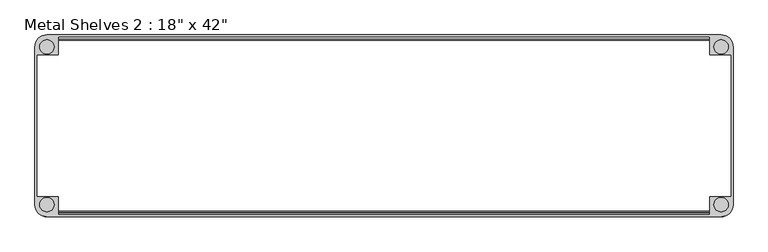
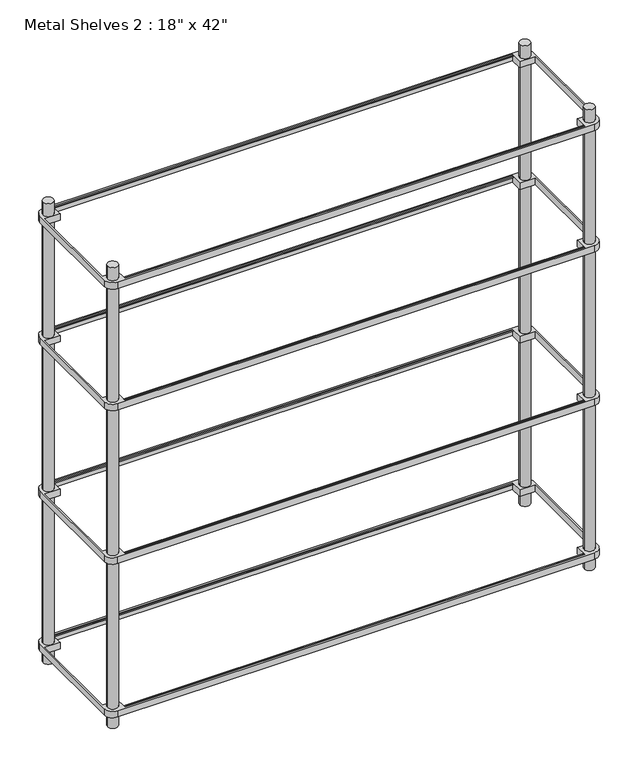
"""IFC4 building model written with IfcOpenShell, lengths in millimetres: furniture geometry."""

from ifc_helpers import new_model, si_unit, point, frame, frame_2d, origin, origin_with_axes, place, context, project, spatial, polyline, circle_curve, trimmed, segment, composite_curve, outline, extrude, source, transform, mapped, element, save


def furniture_be2dd533(model_context):
    return source(origin(), model_context, "Body", "SweptSolid", [
        extrude(outline(composite_curve([segment(trimmed(circle_curve(frame_2d((895.35, -209.55)), 31.75), [point((927.1, -209.55))], [point((895.35, -241.3))], False, "CARTESIAN"), True, "CONTINUOUS"), segment(polyline([(895.35, -241.3), (-895.35, -241.3)]), True, "CONTINUOUS"), segment(trimmed(circle_curve(frame_2d((-895.35, -209.55)), 31.75), [point((-895.35, -241.3))], [point((-927.1, -209.55))], False, "CARTESIAN"), True, "CONTINUOUS"), segment(polyline([(-927.1, -209.55), (-927.1, 209.55)]), True, "CONTINUOUS"), segment(trimmed(circle_curve(frame_2d((-895.35, 209.55)), 31.75), [point((-927.1, 209.55))], [point((-895.35, 241.3))], False, "CARTESIAN"), True, "CONTINUOUS"), segment(polyline([(-895.35, 241.3), (895.35, 241.3)]), True, "CONTINUOUS"), segment(trimmed(circle_curve(frame_2d((895.35, 209.55)), 31.75), [point((895.35, 241.3))], [point((927.1, 209.55))], False, "CARTESIAN"), True, "CONTINUOUS"), segment(polyline([(927.1, 209.55), (927.1, -209.55)]), True, "CONTINUOUS")], self_intersect=False), holes=[polyline([(-863.6, -234.95), (863.6, -234.95), (863.6, -187.325), (920.75, -187.325), (920.75, 187.325), (863.6, 187.325), (863.6, 234.95), (-863.6, 234.95), (-863.6, 187.325), (-920.75, 187.325), (-920.75, -187.325), (-863.6, -187.325), (-863.6, -234.95)]), composite_curve([segment(trimmed(circle_curve(frame_2d((895.35, -209.55)), 19.05), [point((876.3, -209.55))], [point((914.4, -209.55))], True, "CARTESIAN"), True, "CONTINUOUS"), segment(trimmed(circle_curve(frame_2d((895.35, -209.55)), 19.05), [point((914.4, -209.55))], [point((876.3, -209.55))], True, "CARTESIAN"), True, "CONTINUOUS")], self_intersect=False), composite_curve([segment(trimmed(circle_curve(frame_2d((895.35, 209.55)), 19.05), [point((876.3, 209.55))], [point((914.4, 209.55))], True, "CARTESIAN"), True, "CONTINUOUS"), segment(trimmed(circle_curve(frame_2d((895.35, 209.55)), 19.05), [point((914.4, 209.55))], [point((876.3, 209.55))], True, "CARTESIAN"), True, "CONTINUOUS")], self_intersect=False), composite_curve([segment(trimmed(circle_curve(frame_2d((-895.35, 209.55)), 19.05), [point((-876.3, 209.55))], [point((-914.4, 209.55))], True, "CARTESIAN"), True, "CONTINUOUS"), segment(trimmed(circle_curve(frame_2d((-895.35, 209.55)), 19.05), [point((-914.4, 209.55))], [point((-876.3, 209.55))], True, "CARTESIAN"), True, "CONTINUOUS")], self_intersect=False), composite_curve([segment(trimmed(circle_curve(frame_2d((-895.35, -209.55)), 19.05), [point((-876.3, -209.55))], [point((-914.4, -209.55))], True, "CARTESIAN"), True, "CONTINUOUS"), segment(trimmed(circle_curve(frame_2d((-895.35, -209.55)), 19.05), [point((-914.4, -209.55))], [point((-876.3, -209.55))], True, "CARTESIAN"), True, "CONTINUOUS")], self_intersect=False)]), frame((0.0, 0.0, 660.4), z_axis=(0.0, 0.0, 1.0), x_axis=(1.0, 0.0, 0.0)), (0.0, 0.0, 1.0), 25.4),
        extrude(outline(composite_curve([segment(trimmed(circle_curve(frame_2d((-895.35, -209.55)), 31.75), [point((-895.35, -241.3))], [point((-927.1, -209.55))], False, "CARTESIAN"), True, "CONTINUOUS"), segment(polyline([(-927.1, -209.55), (-927.1, 209.55)]), True, "CONTINUOUS"), segment(trimmed(circle_curve(frame_2d((-895.35, 209.55)), 31.75), [point((-927.1, 209.55))], [point((-895.35, 241.3))], False, "CARTESIAN"), True, "CONTINUOUS"), segment(polyline([(-895.35, 241.3), (895.35, 241.3)]), True, "CONTINUOUS"), segment(trimmed(circle_curve(frame_2d((895.35, 209.55)), 31.75), [point((895.35, 241.3))], [point((927.1, 209.55))], False, "CARTESIAN"), True, "CONTINUOUS"), segment(polyline([(927.1, 209.55), (927.1, -209.55)]), True, "CONTINUOUS"), segment(trimmed(circle_curve(frame_2d((895.35, -209.55)), 31.75), [point((927.1, -209.55))], [point((895.35, -241.3))], False, "CARTESIAN"), True, "CONTINUOUS"), segment(polyline([(895.35, -241.3), (-895.35, -241.3)]), True, "CONTINUOUS")], self_intersect=False), holes=[composite_curve([segment(trimmed(circle_curve(frame_2d((-895.35, -209.55)), 19.05), [point((-876.3, -209.55))], [point((-914.4, -209.55))], True, "CARTESIAN"), True, "CONTINUOUS"), segment(trimmed(circle_curve(frame_2d((-895.35, -209.55)), 19.05), [point((-914.4, -209.55))], [point((-876.3, -209.55))], True, "CARTESIAN"), True, "CONTINUOUS")], self_intersect=False), composite_curve([segment(trimmed(circle_curve(frame_2d((-895.35, 209.55)), 19.05), [point((-876.3, 209.55))], [point((-914.4, 209.55))], True, "CARTESIAN"), True, "CONTINUOUS"), segment(trimmed(circle_curve(frame_2d((-895.35, 209.55)), 19.05), [point((-914.4, 209.55))], [point((-876.3, 209.55))], True, "CARTESIAN"), True, "CONTINUOUS")], self_intersect=False), composite_curve([segment(trimmed(circle_curve(frame_2d((895.35, -209.55)), 19.05), [point((876.3, -209.55))], [point((914.4, -209.55))], True, "CARTESIAN"), True, "CONTINUOUS"), segment(trimmed(circle_curve(frame_2d((895.35, -209.55)), 19.05), [point((914.4, -209.55))], [point((876.3, -209.55))], True, "CARTESIAN"), True, "CONTINUOUS")], self_intersect=False), composite_curve([segment(trimmed(circle_curve(frame_2d((895.35, 209.55)), 19.05), [point((876.3, 209.55))], [point((914.4, 209.55))], True, "CARTESIAN"), True, "CONTINUOUS"), segment(trimmed(circle_curve(frame_2d((895.35, 209.55)), 19.05), [point((914.4, 209.55))], [point((876.3, 209.55))], True, "CARTESIAN"), True, "CONTINUOUS")], self_intersect=False), polyline([(-863.6, -234.95), (863.6, -234.95), (863.6, -187.325), (920.75, -187.325), (920.75, 187.325), (863.6, 187.325), (863.6, 234.95), (-863.6, 234.95), (-863.6, 187.325), (-920.75, 187.325), (-920.75, -187.325), (-863.6, -187.325), (-863.6, -234.95)])]), frame((0.0, 0.0, 50.8), z_axis=(0.0, 0.0, 1.0), x_axis=(1.0, 0.0, 0.0)), (0.0, 0.0, 1.0), 25.4),
        extrude(outline(composite_curve([segment(trimmed(circle_curve(frame_2d((-895.35, 209.55)), 31.75), [point((-927.1, 209.55))], [point((-895.35, 241.3))], False, "CARTESIAN"), True, "CONTINUOUS"), segment(polyline([(-895.35, 241.3), (895.35, 241.3)]), True, "CONTINUOUS"), segment(trimmed(circle_curve(frame_2d((895.35, 209.55)), 31.75), [point((895.35, 241.3))], [point((927.1, 209.55))], False, "CARTESIAN"), True, "CONTINUOUS"), segment(polyline([(927.1, 209.55), (927.1, -209.55)]), True, "CONTINUOUS"), segment(trimmed(circle_curve(frame_2d((895.35, -209.55)), 31.75), [point((927.1, -209.55))], [point((895.35, -241.3))], False, "CARTESIAN"), True, "CONTINUOUS"), segment(polyline([(895.35, -241.3), (-895.35, -241.3)]), True, "CONTINUOUS"), segment(trimmed(circle_curve(frame_2d((-895.35, -209.55)), 31.75), [point((-895.35, -241.3))], [point((-927.1, -209.55))], False, "CARTESIAN"), True, "CONTINUOUS"), segment(polyline([(-927.1, -209.55), (-927.1, 209.55)]), True, "CONTINUOUS")], self_intersect=False), holes=[composite_curve([segment(trimmed(circle_curve(frame_2d((-895.35, 209.55)), 19.05), [point((-876.3, 209.55))], [point((-914.4, 209.55))], True, "CARTESIAN"), True, "CONTINUOUS"), segment(trimmed(circle_curve(frame_2d((-895.35, 209.55)), 19.05), [point((-914.4, 209.55))], [point((-876.3, 209.55))], True, "CARTESIAN"), True, "CONTINUOUS")], self_intersect=False), composite_curve([segment(trimmed(circle_curve(frame_2d((-895.35, -209.55)), 19.05), [point((-876.3, -209.55))], [point((-914.4, -209.55))], True, "CARTESIAN"), True, "CONTINUOUS"), segment(trimmed(circle_curve(frame_2d((-895.35, -209.55)), 19.05), [point((-914.4, -209.55))], [point((-876.3, -209.55))], True, "CARTESIAN"), True, "CONTINUOUS")], self_intersect=False), composite_curve([segment(trimmed(circle_curve(frame_2d((895.35, -209.55)), 19.05), [point((876.3, -209.55))], [point((914.4, -209.55))], True, "CARTESIAN"), True, "CONTINUOUS"), segment(trimmed(circle_curve(frame_2d((895.35, -209.55)), 19.05), [point((914.4, -209.55))], [point((876.3, -209.55))], True, "CARTESIAN"), True, "CONTINUOUS")], self_intersect=False), polyline([(-863.6, -234.95), (863.6, -234.95), (863.6, -187.325), (920.75, -187.325), (920.75, 187.325), (863.6, 187.325), (863.6, 234.95), (-863.6, 234.95), (-863.6, 187.325), (-920.75, 187.325), (-920.75, -187.325), (-863.6, -187.325), (-863.6, -234.95)]), composite_curve([segment(trimmed(circle_curve(frame_2d((895.35, 209.55)), 19.05), [point((876.3, 209.55))], [point((914.4, 209.55))], True, "CARTESIAN"), True, "CONTINUOUS"), segment(trimmed(circle_curve(frame_2d((895.35, 209.55)), 19.05), [point((914.4, 209.55))], [point((876.3, 209.55))], True, "CARTESIAN"), True, "CONTINUOUS")], self_intersect=False)]), frame((0.0, 0.0, 1270.0), z_axis=(0.0, 0.0, 1.0), x_axis=(1.0, 0.0, 0.0)), (0.0, 0.0, 1.0), 25.4),
        extrude(outline(composite_curve([segment(trimmed(circle_curve(frame_2d((-895.35, -209.55)), 31.75), [point((-895.35, -241.3))], [point((-927.1, -209.55))], False, "CARTESIAN"), True, "CONTINUOUS"), segment(polyline([(-927.1, -209.55), (-927.1, 209.55)]), True, "CONTINUOUS"), segment(trimmed(circle_curve(frame_2d((-895.35, 209.55)), 31.75), [point((-927.1, 209.55))], [point((-895.35, 241.3))], False, "CARTESIAN"), True, "CONTINUOUS"), segment(polyline([(-895.35, 241.3), (895.35, 241.3)]), True, "CONTINUOUS"), segment(trimmed(circle_curve(frame_2d((895.35, 209.55)), 31.75), [point((895.35, 241.3))], [point((927.1, 209.55))], False, "CARTESIAN"), True, "CONTINUOUS"), segment(polyline([(927.1, 209.55), (927.1, -209.55)]), True, "CONTINUOUS"), segment(trimmed(circle_curve(frame_2d((895.35, -209.55)), 31.75), [point((927.1, -209.55))], [point((895.35, -241.3))], False, "CARTESIAN"), True, "CONTINUOUS"), segment(polyline([(895.35, -241.3), (-895.35, -241.3)]), True, "CONTINUOUS")], self_intersect=False), holes=[composite_curve([segment(trimmed(circle_curve(frame_2d((895.35, 209.55)), 19.05), [point((876.3, 209.55))], [point((914.4, 209.55))], True, "CARTESIAN"), True, "CONTINUOUS"), segment(trimmed(circle_curve(frame_2d((895.35, 209.55)), 19.05), [point((914.4, 209.55))], [point((876.3, 209.55))], True, "CARTESIAN"), True, "CONTINUOUS")], self_intersect=False), composite_curve([segment(trimmed(circle_curve(frame_2d((895.35, -209.55)), 19.05), [point((876.3, -209.55))], [point((914.4, -209.55))], True, "CARTESIAN"), True, "CONTINUOUS"), segment(trimmed(circle_curve(frame_2d((895.35, -209.55)), 19.05), [point((914.4, -209.55))], [point((876.3, -209.55))], True, "CARTESIAN"), True, "CONTINUOUS")], self_intersect=False), composite_curve([segment(trimmed(circle_curve(frame_2d((-895.35, 209.55)), 19.05), [point((-876.3, 209.55))], [point((-914.4, 209.55))], True, "CARTESIAN"), True, "CONTINUOUS"), segment(trimmed(circle_curve(frame_2d((-895.35, 209.55)), 19.05), [point((-914.4, 209.55))], [point((-876.3, 209.55))], True, "CARTESIAN"), True, "CONTINUOUS")], self_intersect=False), polyline([(920.75, -187.325), (920.75, 187.325), (863.6, 187.325), (863.6, 234.95), (-863.6, 234.95), (-863.6, 187.325), (-920.75, 187.325), (-920.75, -187.325), (-863.6, -187.325), (-863.6, -234.95), (863.6, -234.95), (863.6, -187.325), (920.75, -187.325)]), composite_curve([segment(trimmed(circle_curve(frame_2d((-895.35, -209.55)), 19.05), [point((-876.3, -209.55))], [point((-914.4, -209.55))], True, "CARTESIAN"), True, "CONTINUOUS"), segment(trimmed(circle_curve(frame_2d((-895.35, -209.55)), 19.05), [point((-914.4, -209.55))], [point((-876.3, -209.55))], True, "CARTESIAN"), True, "CONTINUOUS")], self_intersect=False)]), frame((0.0, 0.0, 1752.6), z_axis=(0.0, 0.0, 1.0), x_axis=(1.0, 0.0, 0.0)), (0.0, 0.0, 1.0), 25.4),
        extrude(outline(composite_curve([segment(trimmed(circle_curve(frame_2d((228.6, 1776.4125)), 1.5875), [point((227.0125, 1776.4125))], [point((230.1875, 1776.4125))], False, "CARTESIAN"), True, "CONTINUOUS"), segment(trimmed(circle_curve(frame_2d((228.6, 1776.4125)), 1.5875), [point((230.1875, 1776.4125))], [point((227.0125, 1776.4125))], False, "CARTESIAN"), True, "CONTINUOUS")], self_intersect=False)), frame((-863.6, 0.0, 0.0), z_axis=(1.0, 0.0, 0.0), x_axis=(0.0, 1.0, 0.0)), (0.0, 0.0, 1.0), 1727.2),
        extrude(outline(composite_curve([segment(trimmed(circle_curve(frame_2d((-228.6, 1776.4125)), 1.5875), [point((-230.1875, 1776.4125))], [point((-227.0125, 1776.4125))], False, "CARTESIAN"), True, "CONTINUOUS"), segment(trimmed(circle_curve(frame_2d((-228.6, 1776.4125)), 1.5875), [point((-227.0125, 1776.4125))], [point((-230.1875, 1776.4125))], False, "CARTESIAN"), True, "CONTINUOUS")], self_intersect=False)), frame((-863.6, 0.0, 0.0), z_axis=(1.0, 0.0, 0.0), x_axis=(0.0, 1.0, 0.0)), (0.0, 0.0, 1.0), 1727.2),
        extrude(outline(composite_curve([segment(trimmed(circle_curve(frame_2d((228.6, 1293.8125)), 1.5875), [point((227.0125, 1293.8125))], [point((230.1875, 1293.8125))], False, "CARTESIAN"), True, "CONTINUOUS"), segment(trimmed(circle_curve(frame_2d((228.6, 1293.8125)), 1.5875), [point((230.1875, 1293.8125))], [point((227.0125, 1293.8125))], False, "CARTESIAN"), True, "CONTINUOUS")], self_intersect=False)), frame((-863.6, 0.0, 0.0), z_axis=(1.0, 0.0, 0.0), x_axis=(0.0, 1.0, 0.0)), (0.0, 0.0, 1.0), 1727.2),
        extrude(outline(composite_curve([segment(trimmed(circle_curve(frame_2d((-228.6, 1293.8125)), 1.5875), [point((-230.1875, 1293.8125))], [point((-227.0125, 1293.8125))], False, "CARTESIAN"), True, "CONTINUOUS"), segment(trimmed(circle_curve(frame_2d((-228.6, 1293.8125)), 1.5875), [point((-227.0125, 1293.8125))], [point((-230.1875, 1293.8125))], False, "CARTESIAN"), True, "CONTINUOUS")], self_intersect=False)), frame((-863.6, 0.0, 0.0), z_axis=(1.0, 0.0, 0.0), x_axis=(0.0, 1.0, 0.0)), (0.0, 0.0, 1.0), 1727.2),
        extrude(outline(composite_curve([segment(trimmed(circle_curve(frame_2d((228.6, 684.2125)), 1.5875), [point((227.0125, 684.2125))], [point((230.1875, 684.2125))], False, "CARTESIAN"), True, "CONTINUOUS"), segment(trimmed(circle_curve(frame_2d((228.6, 684.2125)), 1.5875), [point((230.1875, 684.2125))], [point((227.0125, 684.2125))], False, "CARTESIAN"), True, "CONTINUOUS")], self_intersect=False)), frame((-863.6, 0.0, 0.0), z_axis=(1.0, 0.0, 0.0), x_axis=(0.0, 1.0, 0.0)), (0.0, 0.0, 1.0), 1727.2),
        extrude(outline(composite_curve([segment(trimmed(circle_curve(frame_2d((-228.6, 684.2125)), 1.5875), [point((-230.1875, 684.2125))], [point((-227.0125, 684.2125))], False, "CARTESIAN"), True, "CONTINUOUS"), segment(trimmed(circle_curve(frame_2d((-228.6, 684.2125)), 1.5875), [point((-227.0125, 684.2125))], [point((-230.1875, 684.2125))], False, "CARTESIAN"), True, "CONTINUOUS")], self_intersect=False)), frame((-863.6, 0.0, 0.0), z_axis=(1.0, 0.0, 0.0), x_axis=(0.0, 1.0, 0.0)), (0.0, 0.0, 1.0), 1727.2),
        extrude(outline(composite_curve([segment(trimmed(circle_curve(frame_2d((228.6, 74.6125)), 1.5875), [point((227.0125, 74.6125))], [point((230.1875, 74.6125))], False, "CARTESIAN"), True, "CONTINUOUS"), segment(trimmed(circle_curve(frame_2d((228.6, 74.6125)), 1.5875), [point((230.1875, 74.6125))], [point((227.0125, 74.6125))], False, "CARTESIAN"), True, "CONTINUOUS")], self_intersect=False)), frame((-863.6, 0.0, 0.0), z_axis=(1.0, 0.0, 0.0), x_axis=(0.0, 1.0, 0.0)), (0.0, 0.0, 1.0), 1727.2),
        extrude(outline(composite_curve([segment(trimmed(circle_curve(frame_2d((-228.6, 74.6125)), 1.5875), [point((-230.1875, 74.6125))], [point((-227.0125, 74.6125))], False, "CARTESIAN"), True, "CONTINUOUS"), segment(trimmed(circle_curve(frame_2d((-228.6, 74.6125)), 1.5875), [point((-227.0125, 74.6125))], [point((-230.1875, 74.6125))], False, "CARTESIAN"), True, "CONTINUOUS")], self_intersect=False)), frame((-863.6, 0.0, 0.0), z_axis=(1.0, 0.0, 0.0), x_axis=(0.0, 1.0, 0.0)), (0.0, 0.0, 1.0), 1727.2),
        extrude(outline(composite_curve([segment(trimmed(circle_curve(frame_2d((895.35, -209.55)), 19.05), [point((914.4, -209.55))], [point((876.3, -209.55))], False, "CARTESIAN"), True, "CONTINUOUS"), segment(trimmed(circle_curve(frame_2d((895.35, -209.55)), 19.05), [point((876.3, -209.55))], [point((914.4, -209.55))], False, "CARTESIAN"), True, "CONTINUOUS")], self_intersect=False)), origin_with_axes(), (0.0, 0.0, 1.0), 1828.8),
        extrude(outline(composite_curve([segment(trimmed(circle_curve(frame_2d((-895.35, -209.55)), 19.05), [point((-914.4, -209.55))], [point((-876.3, -209.55))], False, "CARTESIAN"), True, "CONTINUOUS"), segment(trimmed(circle_curve(frame_2d((-895.35, -209.55)), 19.05), [point((-876.3, -209.55))], [point((-914.4, -209.55))], False, "CARTESIAN"), True, "CONTINUOUS")], self_intersect=False)), origin_with_axes(), (0.0, 0.0, 1.0), 1828.8),
        extrude(outline(composite_curve([segment(trimmed(circle_curve(frame_2d((895.35, 209.55)), 19.05), [point((914.4, 209.55))], [point((876.3, 209.55))], False, "CARTESIAN"), True, "CONTINUOUS"), segment(trimmed(circle_curve(frame_2d((895.35, 209.55)), 19.05), [point((876.3, 209.55))], [point((914.4, 209.55))], False, "CARTESIAN"), True, "CONTINUOUS")], self_intersect=False)), origin_with_axes(), (0.0, 0.0, 1.0), 1828.8),
        extrude(outline(composite_curve([segment(trimmed(circle_curve(frame_2d((-895.35, 209.55)), 19.05), [point((-914.4, 209.55))], [point((-876.3, 209.55))], False, "CARTESIAN"), True, "CONTINUOUS"), segment(trimmed(circle_curve(frame_2d((-895.35, 209.55)), 19.05), [point((-876.3, 209.55))], [point((-914.4, 209.55))], False, "CARTESIAN"), True, "CONTINUOUS")], self_intersect=False)), origin_with_axes(), (0.0, 0.0, 1.0), 1828.8),
    ])


if __name__ == "__main__":
    model = new_model("IFC4")
    model_context = context("Model", 3, world=origin())
    ifc_project = project(units=[si_unit("LENGTHUNIT", "METRE", prefix="MILLI")], contexts=[model_context])
    site = spatial("IfcSite", under=ifc_project)
    building = spatial("IfcBuilding", under=site)
    placement = place(None, origin())
    furniture_shape = furniture_be2dd533(model_context)
    element("IfcFurniture", 1, ObjectType="Metal Shelves 2 : 18\" x 42\"", at=placement, inside=building, context=model_context, shape_type="MappedRepresentation", body=[
        mapped(furniture_shape, transform((0.0, 0.0, 0.0), x_axis=(1.0, 0.0, 0.0), y_axis=(0.0, 1.0, 0.0), z_axis=(0.0, 0.0, 1.0))),
    ])
    save(model, "model.ifc")
